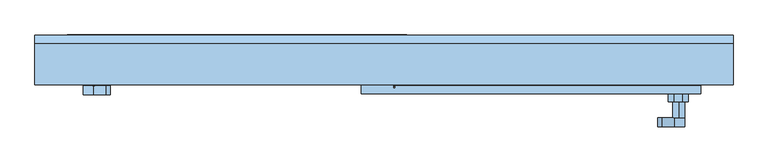
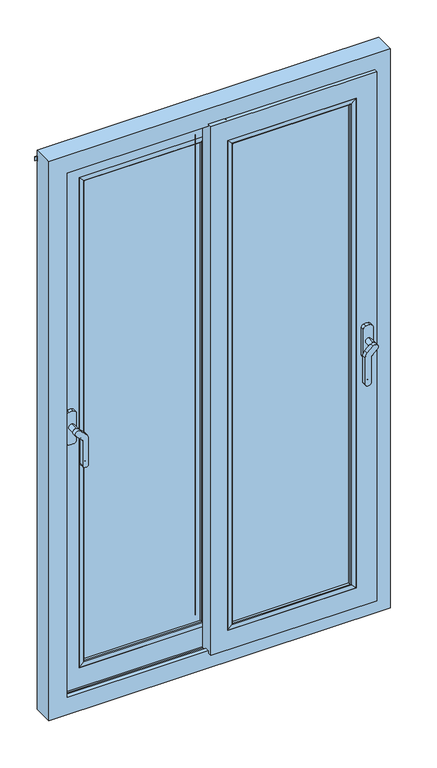
"""IFC4 building model written with IfcOpenShell, lengths in millimetres: window geometry."""

from ifc_helpers import new_model, si_unit, point, frame, frame_2d, origin, place, context, project, spatial, polyline, circle_curve, ellipse_curve, trimmed, segment, composite_curve, outline, extrude, faceted_brep, source, transform, mapped, element, save
from ifc_brep_helpers import plane_surface, cylinder_surface, advanced_brep


def window_e040727d(model_context):
    return source(origin(), model_context, "Body", "SolidModel", [
        extrude(outline(composite_curve([segment(trimmed(circle_curve(frame_2d((1720.5590638, -483.1689366)), 8.1203216), [point((1720.5590638, -491.2892583))], [point((1712.4387422, -483.1689366))], False, "CARTESIAN"), True, "CONTINUOUS"), segment(polyline([(1712.4387422, -483.1689366), (1712.4387422, -478.7980888)]), True, "CONTINUOUS"), segment(trimmed(circle_curve(frame_2d((1720.5590638, -478.7980888)), 8.1203216), [point((1712.4387422, -478.7980888))], [point((1720.5590638, -470.6777671))], False, "CARTESIAN"), True, "CONTINUOUS"), segment(polyline([(1720.5590638, -470.6777671), (1816.0601001, -470.6777671)]), True, "CONTINUOUS"), segment(trimmed(circle_curve(frame_2d((1816.0601001, -494.6777671)), 24.0), [point((1816.0601001, -470.6777671))], [point((1833.8176817, -478.5325419))], False, "CARTESIAN"), True, "CONTINUOUS"), segment(polyline([(1833.8176817, -478.5325419), (1852.8118762, -499.4236075)]), True, "CONTINUOUS"), segment(trimmed(circle_curve(frame_2d((1845.186663, -506.3564651)), 10.3057456), [point((1852.8118762, -499.4236075))], [point((1837.5614497, -513.2893228))], False, "CARTESIAN"), True, "CONTINUOUS"), segment(polyline([(1837.5614497, -513.2893228), (1821.1297391, -495.2166457)]), True, "CONTINUOUS"), segment(trimmed(circle_curve(frame_2d((1812.2509483, -503.2892583)), 12.0), [point((1821.1297391, -495.2166457))], [point((1812.2509483, -491.2892583))], True, "CARTESIAN"), True, "CONTINUOUS"), segment(polyline([(1812.2509483, -491.2892583), (1720.5590638, -491.2892583)]), True, "CONTINUOUS")], self_intersect=False)), frame((0.0, -191.7498063, 0.0), z_axis=(0.0, 1.0, 0.0), x_axis=(0.0, 0.0, 1.0)), (0.0, 0.0, 1.0), 15.0),
        extrude(outline(composite_curve([segment(trimmed(circle_curve(frame_2d((1845.186663, -505.3441861)), 10.3057456), [point((1855.4924085, -505.3441861))], [point((1834.8809174, -505.3441861))], False, "CARTESIAN"), True, "CONTINUOUS"), segment(trimmed(circle_curve(frame_2d((1845.186663, -505.3441861)), 10.3057456), [point((1834.8809174, -505.3441861))], [point((1855.4924085, -505.3441861))], False, "CARTESIAN"), True, "CONTINUOUS")], self_intersect=False)), frame((0.0, -176.7498063, 0.0), z_axis=(0.0, 1.0, 0.0), x_axis=(0.0, 0.0, 1.0)), (0.0, 0.0, 1.0), 27.75),
        extrude(outline(composite_curve([segment(polyline([(1890.7749123, -522.8503256), (1791.0357249, -522.8503256)]), True, "CONTINUOUS"), segment(trimmed(circle_curve(frame_2d((1791.0357249, -511.6848834)), 11.1654422), [point((1791.0357249, -522.8503256))], [point((1779.9543445, -513.0524027))], False, "CARTESIAN"), True, "CONTINUOUS"), segment(trimmed(circle_curve(frame_2d((1838.3181202, -505.8499075)), 58.8065154), [point((1779.9543445, -513.0524027))], [point((1779.9542171, -498.6484446))], False, "CARTESIAN"), True, "CONTINUOUS"), segment(trimmed(circle_curve(frame_2d((1791.0356217, -500.0157679)), 11.1654422), [point((1779.9542171, -498.6484446))], [point((1791.0356217, -488.8503256))], False, "CARTESIAN"), True, "CONTINUOUS"), segment(polyline([(1791.0356217, -488.8503256), (1890.7748036, -488.8503256)]), True, "CONTINUOUS"), segment(trimmed(circle_curve(frame_2d((1890.7748036, -500.0157679)), 11.1654422), [point((1890.7748036, -488.8503256))], [point((1901.8561833, -498.6482428))], False, "CARTESIAN"), True, "CONTINUOUS"), segment(trimmed(circle_curve(frame_2d((1843.4924309, -505.8507662)), 58.8064957), [point((1901.8561833, -498.6482428))], [point((1901.8563175, -513.052202))], False, "CARTESIAN"), True, "CONTINUOUS"), segment(trimmed(circle_curve(frame_2d((1890.7749123, -511.6848834)), 11.1654422), [point((1901.8563175, -513.052202))], [point((1890.7749123, -522.8503256))], False, "CARTESIAN"), True, "CONTINUOUS")], self_intersect=False)), frame((0.0, -148.9998063, 0.0), z_axis=(0.0, 1.0, 0.0), x_axis=(0.0, 0.0, 1.0)), (0.0, 0.0, 1.0), 13.5),
        extrude(outline(composite_curve([segment(polyline([(1725.2837421, -474.9036109), (1736.903582, -474.9036109), (1736.903582, -486.9960678), (1724.9206616, -486.9960678), (1724.9206616, -480.5040328), (1730.071547, -480.5040328), (1725.0457321, -475.4782179)]), True, "CONTINUOUS"), segment(trimmed(circle_curve(frame_2d((1725.2837421, -475.2402079)), 0.336597), [point((1725.0457321, -475.4782179))], [point((1725.2837421, -474.9036109))], False, "CARTESIAN"), True, "CONTINUOUS")], self_intersect=False)), frame((0.0, -192.0498063, 0.0), z_axis=(0.0, 1.0, 0.0), x_axis=(0.0, 0.0, 1.0)), (0.0, 0.0, 1.0), 0.8),
        extrude(outline(composite_curve([segment(trimmed(circle_curve(frame_2d((1845.186663, 506.3564651)), 10.3057456), [point((1855.4924085, 506.3564651))], [point((1834.8809174, 506.3564651))], False, "CARTESIAN"), True, "CONTINUOUS"), segment(trimmed(circle_curve(frame_2d((1845.186663, 506.3564651)), 10.3057456), [point((1834.8809174, 506.3564651))], [point((1855.4924085, 506.3564651))], False, "CARTESIAN"), True, "CONTINUOUS")], self_intersect=False)), frame((0.0, -231.7498063, 0.0), z_axis=(0.0, 1.0, 0.0), x_axis=(0.0, 0.0, 1.0)), (0.0, 0.0, 1.0), 27.75),
        extrude(outline(composite_curve([segment(polyline([(1720.5590638, 491.2892583), (1812.2509483, 491.2892583)]), True, "CONTINUOUS"), segment(trimmed(circle_curve(frame_2d((1812.2509483, 503.2892583)), 12.0), [point((1812.2509483, 491.2892583))], [point((1821.1297391, 495.2166457))], True, "CARTESIAN"), True, "CONTINUOUS"), segment(polyline([(1821.1297391, 495.2166457), (1837.5614497, 513.2893228)]), True, "CONTINUOUS"), segment(trimmed(circle_curve(frame_2d((1845.186663, 506.3564651)), 10.3057456), [point((1837.5614497, 513.2893228))], [point((1852.8118762, 499.4236075))], False, "CARTESIAN"), True, "CONTINUOUS"), segment(polyline([(1852.8118762, 499.4236075), (1833.8176817, 478.5325419)]), True, "CONTINUOUS"), segment(trimmed(circle_curve(frame_2d((1816.0601001, 494.6777671)), 24.0), [point((1833.8176817, 478.5325419))], [point((1816.0601001, 470.6777671))], False, "CARTESIAN"), True, "CONTINUOUS"), segment(polyline([(1816.0601001, 470.6777671), (1720.5590638, 470.6777671)]), True, "CONTINUOUS"), segment(trimmed(circle_curve(frame_2d((1720.5590638, 478.7980888)), 8.1203216), [point((1720.5590638, 470.6777671))], [point((1712.4387422, 478.7980888))], False, "CARTESIAN"), True, "CONTINUOUS"), segment(polyline([(1712.4387422, 478.7980888), (1712.4387422, 483.1689366)]), True, "CONTINUOUS"), segment(trimmed(circle_curve(frame_2d((1720.5590638, 483.1689366)), 8.1203216), [point((1712.4387422, 483.1689366))], [point((1720.5590638, 491.2892583))], False, "CARTESIAN"), True, "CONTINUOUS")], self_intersect=False)), frame((0.0, -246.7498063, 0.0), z_axis=(0.0, 1.0, 0.0), x_axis=(0.0, 0.0, 1.0)), (0.0, 0.0, 1.0), 15.0),
        extrude(outline(composite_curve([segment(polyline([(1890.7749123, 488.8503256), (1791.0357249, 488.8503256)]), True, "CONTINUOUS"), segment(trimmed(circle_curve(frame_2d((1791.0357249, 500.0157679)), 11.1654422), [point((1791.0357249, 488.8503256))], [point((1779.9543445, 498.6482486))], False, "CARTESIAN"), True, "CONTINUOUS"), segment(trimmed(circle_curve(frame_2d((1838.3181202, 505.8507438)), 58.8065154), [point((1779.9543445, 498.6482486))], [point((1779.9542171, 513.0522067))], False, "CARTESIAN"), True, "CONTINUOUS"), segment(trimmed(circle_curve(frame_2d((1791.0356217, 511.6848834)), 11.1654422), [point((1779.9542171, 513.0522067))], [point((1791.0356217, 522.8503256))], False, "CARTESIAN"), True, "CONTINUOUS"), segment(polyline([(1791.0356217, 522.8503256), (1890.7748036, 522.8503256)]), True, "CONTINUOUS"), segment(trimmed(circle_curve(frame_2d((1890.7748036, 511.6848834)), 11.1654422), [point((1890.7748036, 522.8503256))], [point((1901.8561833, 513.0524085))], False, "CARTESIAN"), True, "CONTINUOUS"), segment(trimmed(circle_curve(frame_2d((1843.4924309, 505.8498851)), 58.8064957), [point((1901.8561833, 513.0524085))], [point((1901.8563175, 498.6484493))], False, "CARTESIAN"), True, "CONTINUOUS"), segment(trimmed(circle_curve(frame_2d((1890.7749123, 500.0157679)), 11.1654422), [point((1901.8563175, 498.6484493))], [point((1890.7749123, 488.8503256))], False, "CARTESIAN"), True, "CONTINUOUS")], self_intersect=False)), frame((0.0, -203.9998063, 0.0), z_axis=(0.0, 1.0, 0.0), x_axis=(0.0, 0.0, 1.0)), (0.0, 0.0, 1.0), 13.5),
        extrude(outline(composite_curve([segment(polyline([(1725.2837421, 486.9960678), (1736.903582, 486.9960678), (1736.903582, 474.9036109), (1724.9206616, 474.9036109), (1724.9206616, 481.3956459), (1730.071547, 481.3956459), (1725.0457321, 486.4214608)]), True, "CONTINUOUS"), segment(trimmed(circle_curve(frame_2d((1725.2837421, 486.6594708)), 0.336597), [point((1725.0457321, 486.4214608))], [point((1725.2837421, 486.9960678))], False, "CARTESIAN"), True, "CONTINUOUS")], self_intersect=False)), frame((0.0, -247.0498063, 0.0), z_axis=(0.0, 1.0, 0.0), x_axis=(0.0, 0.0, 1.0)), (0.0, 0.0, 1.0), 0.8),
        advanced_brep(
        [(19.1010245, -158.0001937, 856.0000985), (19.1010245, -158.0001937, 890.7523289), (19.1010245, -177.0001937, 890.7523289), (19.1010245, -177.0001937, 856.0000985), (19.1010245, -181.4978698, 856.0000985), (19.1010245, -181.4978698, 926.0000985), (19.1010245, -151.4998063, 926.0000985), (19.1010245, -151.4978698, 856.0000985), (19.1010245, -158.0001937, 2823.9999015), (19.1010245, -158.0001937, 2789.2476711), (509.2476711, -158.0001937, 2789.2476711), (509.2476711, -158.0001937, 890.7523289), (543.9999015, -158.0001937, 856.0000985), (543.9999015, -158.0001937, 2823.9999015), (509.2476711, -177.0001937, 890.7523289), (19.1010245, -177.0001937, 2789.2476711), (19.1010245, -177.0001937, 2823.9999015), (543.9999015, -177.0001937, 2823.9999015), (543.9999015, -177.0001937, 856.0000985), (509.2476711, -177.0001937, 2789.2476711), (543.9999015, -190.4998063, 856.0000985), (-39.1010245, -190.4998063, 856.0000985), (-39.1010245, -141.0990318, 856.0000985), (-11.6381787, -141.0990318, 856.0000985), (-8.61807, -137.4998063, 856.0000985), (-2.1146471, -137.4998063, 856.0000985), (-2.1146471, -144.4998063, 856.0000985), (543.9999015, -144.4998063, 856.0000985), (16.1010245, -151.4978698, 856.0000985), (16.1010245, -181.4978698, 856.0000985), (19.1010245, -181.4998063, 2753.9999015), (473.9999015, -181.4998063, 2753.9999015), (473.9999015, -181.4998063, 926.0000985), (16.1010245, -181.4998063, 2823.9999015), (19.1010245, -181.4998063, 2823.9999015), (470.9999015, -181.4998063, 2750.9999015), (19.1010245, -181.4998063, 2750.9999015), (19.1010245, -181.4998063, 929.0000985), (470.9999015, -181.4998063, 929.0000985), (473.9999015, -151.4998063, 926.0000985), (19.1010245, -151.4998063, 2753.9999015), (19.1010245, -151.4998063, 2823.9999015), (16.1010245, -151.4998063, 2823.9999015), (473.9999015, -151.4998063, 2753.9999015), (450.9999015, -151.4998063, 2730.9999015), (450.9999015, -151.4998063, 949.0000985), (39.101481, -151.4998063, 949.0000985), (39.101481, -151.4998063, 2730.9999015), (452.1052009, -146.8114198, 2732.1052009), (452.1052009, -146.8114198, 947.8947991), (37.9961816, -146.8114198, 947.8947991), (37.9961816, -146.8114198, 2732.1052009), (19.1010245, -190.4998063, 2750.9999015), (19.1010245, -190.4998063, 929.0000985), (470.9999015, -190.4998063, 929.0000985), (470.9999015, -190.4998063, 2750.9999015), (-39.1010245, -190.4998063, 2823.9999015), (543.9999015, -190.4998063, 2823.9999015), (-39.1010245, -141.0990318, 2823.9999015), (543.9999015, -144.4998063, 2823.9999015), (-2.1146471, -144.4998063, 2823.9999015), (455.0251536, -144.4998063, 2735.0251536), (35.0762288, -144.4998063, 2735.0251536), (35.0762288, -144.4998063, 944.9748464), (455.0251536, -144.4998063, 944.9748464), (-2.1146471, -137.4998063, 2823.9999015), (-11.6381787, -141.0990318, 2823.9999015), (-8.61807, -137.4998063, 2823.9999015)],
        [
            (0, 1),
            (1, 2),
            (2, 3),
            (3, 4),
            (4, 5),
            (5, 6),
            (6, 7),
            (7, 0),
            (8, 9),
            (9, 10),
            (10, 11),
            (11, 1),
            (0, 12),
            (12, 13),
            (13, 8),
            (11, 14),
            (14, 2),
            (15, 16),
            (16, 17),
            (17, 18),
            (18, 3),
            (14, 19),
            (19, 15),
            (20, 21),
            (21, 22),
            (22, 23),
            (23, 24),
            (24, 25),
            (25, 26),
            (26, 27),
            (27, 12),
            (7, 28),
            (28, 29),
            (29, 4),
            (18, 20),
            (30, 31),
            (31, 32),
            (32, 5),
            (29, 33),
            (33, 34),
            (34, 30),
            (35, 36),
            (36, 37),
            (37, 38),
            (38, 35),
            (39, 6),
            (32, 39),
            (40, 41),
            (41, 42),
            (42, 28),
            (39, 43),
            (43, 40),
            (44, 45),
            (45, 46),
            (46, 47),
            (47, 44),
            (44, 48),
            (48, 49),
            (49, 45),
            (49, 50),
            (50, 46),
            (50, 51),
            (51, 47),
            (42, 33),
            (31, 43),
            (52, 53),
            (53, 37),
            (36, 52),
            (53, 54),
            (54, 38),
            (54, 55),
            (55, 35),
            (56, 21),
            (20, 57),
            (57, 56),
            (52, 55),
            (56, 58),
            (58, 22),
            (17, 57),
            (10, 19),
            (27, 59),
            (59, 13),
            (60, 59),
            (26, 60),
            (61, 62),
            (62, 63),
            (63, 64),
            (64, 61),
            (65, 60),
            (25, 65),
            (50, 63, ellipse_curve(frame((35.0762288, -147.4998063, 944.9748464), z_axis=(-0.7071067811865475, 0.0, 0.7071067811865475), x_axis=(0.7071067811865474, 0.0, 0.7071067811865476)), 4.2426407, 3.0)),
            (62, 51, ellipse_curve(frame((35.0762288, -147.4998063, 2735.0251536), z_axis=(-0.7071067811865475, 0.0, -0.7071067811865475), x_axis=(-0.7071067811865474, 0.0, 0.7071067811865476)), 4.2426407, 3.0)),
            (49, 64, ellipse_curve(frame((455.0251536, -147.4998063, 944.9748464), z_axis=(-0.7071067811865475, 0.0, -0.7071067811865475), x_axis=(0.7071067811865476, 0.0, -0.7071067811865474)), 4.2426407, 3.0)),
            (48, 61, ellipse_curve(frame((455.0251536, -147.4998063, 2735.0251536), z_axis=(0.7071067811865475, 0.0, -0.7071067811865475), x_axis=(0.7071067811865474, 0.0, 0.7071067811865476)), 4.2426407, 3.0)),
            (58, 66),
            (66, 23),
            (66, 67),
            (67, 24),
            (67, 65),
            (40, 30),
            (34, 16),
            (15, 9),
            (8, 41),
            (51, 48),
        ],
        [
            plane_surface(frame((19.1010245, -105.0, 800.0), z_axis=(-1.0, 0.0, 0.0), x_axis=(0.0, 1.0, 0.0))),
            plane_surface(frame((19.1010245, -158.0001937, 2789.2476711), z_axis=(0.0, -1.0, 0.0), x_axis=(1.0, 0.0, 0.0))),
            plane_surface(frame((509.2476711, -177.0001937, 890.7523289), z_axis=(0.0, 0.0, -1.0), x_axis=(-1.0, 0.0, 0.0))),
            plane_surface(frame((19.1010245, -177.0001937, 2823.9999015), z_axis=(0.0, 1.0, 0.0), x_axis=(1.0, 0.0, 0.0))),
            plane_surface(frame((543.9999015, -190.4998063, 856.0000985), z_axis=(0.0, 0.0, -1.0), x_axis=(-1.0, 0.0, 0.0))),
            plane_surface(frame((19.1010245, -181.4998063, 2753.9999015), z_axis=(0.0, 1.0, 0.0), x_axis=(1.0, 0.0, 0.0))),
            plane_surface(frame((473.9999015, -151.4998063, 926.0000985), z_axis=(0.0, 0.0, 1.0), x_axis=(-1.0, 0.0, 0.0))),
            plane_surface(frame((19.1010245, -151.4998063, 2730.9999015), z_axis=(0.0, -1.0, 0.0), x_axis=(1.0, 0.0, 0.0))),
            plane_surface(frame((452.1052009, -146.8114198, 2732.1052009), z_axis=(-0.9733175797962543, 0.2294621730472412, 0.0), x_axis=(0.0, 0.0, -1.0))),
            plane_surface(frame((452.1052009, -146.8114198, 947.8947991), z_axis=(0.0, 0.22946217304723807, 0.9733175797962551), x_axis=(-1.0, 0.0, 0.0))),
            plane_surface(frame((39.1010245, -151.4978698, 2823.9999015), z_axis=(0.9733175797962278, 0.22946217304735375, 0.0), x_axis=(0.0, 0.0, -1.0))),
            plane_surface(frame((16.1010245, -181.4978698, 2823.9999015), z_axis=(1.0, 0.0, 0.0), x_axis=(0.0, 0.0, -1.0))),
            plane_surface(frame((473.9999015, -151.4998063, 2753.9999015), z_axis=(-1.0, 0.0, 0.0), x_axis=(0.0, 0.0, -1.0))),
            plane_surface(frame((19.1010245, -190.4998063, 2823.9999015), z_axis=(1.0, 0.0, 0.0), x_axis=(0.0, 0.0, -1.0))),
            plane_surface(frame((470.9999015, -181.4998063, 929.0000985), z_axis=(0.0, 0.0, 1.0), x_axis=(-1.0, 0.0, 0.0))),
            plane_surface(frame((470.9999015, -181.4998063, 2750.9999015), z_axis=(-1.0, 0.0, 0.0), x_axis=(0.0, 0.0, -1.0))),
            plane_surface(frame((19.1010245, -190.4998063, 2750.9999015), z_axis=(0.0, -1.0, 0.0), x_axis=(1.0, 0.0, 0.0))),
            plane_surface(frame((-39.1010245, -141.0990318, 2823.9999015), z_axis=(-1.0, 0.0, 0.0), x_axis=(0.0, 0.0, -1.0))),
            plane_surface(frame((543.9999015, -190.4998063, 2823.9999015), z_axis=(1.0, 0.0, 0.0), x_axis=(0.0, 0.0, -1.0))),
            plane_surface(frame((509.2476711, -177.0001937, 2789.2476711), z_axis=(1.0, 0.0, 0.0), x_axis=(0.0, 0.0, -1.0))),
            plane_surface(frame((543.9999015, -158.0001937, 2823.9999015), z_axis=(1.0, 0.0, 0.0), x_axis=(0.0, 0.0, -1.0))),
            plane_surface(frame((19.1010245, -144.4998063, 2823.9999015), z_axis=(0.0, 1.0, 0.0), x_axis=(1.0, 0.0, 0.0))),
            plane_surface(frame((-2.1146471, -144.4998063, 2823.9999015), z_axis=(1.0, 0.0, 0.0), x_axis=(0.0, 0.0, -1.0))),
            cylinder_surface(frame((35.0762288, -147.4998063, 2823.9999015), z_axis=(0.0, 0.0, 1.0), x_axis=(0.0, 1.0, 0.0)), 3.0),
            cylinder_surface(frame((600.0, -147.4998063, 944.9748464), z_axis=(1.0, 0.0, 0.0), x_axis=(0.0, 1.0, 0.0)), 3.0),
            cylinder_surface(frame((455.0251536, -147.4998063, 2880.0), z_axis=(0.0, 0.0, 1.0), x_axis=(0.0, 1.0, 0.0)), 3.0),
            plane_surface(frame((-11.6381787, -141.0990318, 2823.9999015), z_axis=(0.0, 1.0, 0.0), x_axis=(0.0, 0.0, -1.0))),
            plane_surface(frame((-8.61807, -137.4998063, 2823.9999015), z_axis=(-0.7660444431189933, 0.6427876096865212, 0.0), x_axis=(0.0, 0.0, -1.0))),
            plane_surface(frame((-2.1146471, -137.4998063, 2823.9999015), z_axis=(0.0, 1.0, 0.0), x_axis=(0.0, 0.0, -1.0))),
            plane_surface(frame((19.1010245, -105.0, 2880.0), z_axis=(-1.0, 0.0, 0.0), x_axis=(0.0, 1.0, 0.0))),
            plane_surface(frame((19.1010245, -151.4998063, 2753.9999015), z_axis=(0.0, 0.0, -1.0), x_axis=(1.0, 0.0, 0.0))),
            plane_surface(frame((19.1010245, -181.4998063, 2750.9999015), z_axis=(0.0, 0.0, -1.0), x_axis=(1.0, 0.0, 0.0))),
            plane_surface(frame((19.1010245, -190.4998063, 2823.9999015), z_axis=(0.0, 0.0, 1.0), x_axis=(1.0, 0.0, 0.0))),
            plane_surface(frame((19.1010245, -177.0001937, 2789.2476711), z_axis=(0.0, 0.0, 1.0), x_axis=(1.0, 0.0, 0.0))),
            plane_surface(frame((19.1010245, -146.8114198, 2732.1052009), z_axis=(0.0, 0.22946217304723807, -0.9733175797962551), x_axis=(1.0, 0.0, 0.0))),
            cylinder_surface(frame((19.1010245, -147.4998063, 2735.0251536), z_axis=(-1.0, 0.0, 0.0), x_axis=(0.0, 1.0, 0.0)), 3.0),
        ],
        [
            (0, [[1, 2, 3, 4, 5, 6, 7, 8]]),
            (1, [[9, 10, 11, 12, -1, 13, 14, 15]]),
            (2, [[-2, -12, 16, 17]]),
            (3, [[18, 19, 20, 21, -3, -17, 22, 23]]),
            (4, [[24, 25, 26, 27, 28, 29, 30, 31, -13, -8, 32, 33, 34, -4, -21, 35]]),
            (5, [[36, 37, 38, -5, -34, 39, 40, 41], [42, 43, 44, 45]]),
            (6, [[46, -6, -38, 47]]),
            (7, [[48, 49, 50, -32, -7, -46, 51, 52], [53, 54, 55, 56]]),
            (8, [[-53, 57, 58, 59]]),
            (9, [[-59, 60, 61, -54]]),
            (10, [[-55, -61, 62, 63]]),
            (11, [[64, -39, -33, -50]]),
            (12, [[-51, -47, -37, 65]]),
            (13, [[66, 67, -43, 68]]),
            (14, [[-44, -67, 69, 70]]),
            (15, [[-45, -70, 71, 72]]),
            (16, [[73, -24, 74, 75], [76, -71, -69, -66]]),
            (17, [[77, 78, -25, -73]]),
            (18, [[-74, -35, -20, 79]]),
            (19, [[-22, -16, -11, 80]]),
            (20, [[-14, -31, 81, 82]]),
            (21, [[83, -81, -30, 84], [85, 86, 87, 88]]),
            (22, [[89, -84, -29, 90]]),
            (23, [[-62, 91, -86, 92]]),
            (24, [[93, -87, -91, -60]]),
            (25, [[-88, -93, -58, 94]]),
            (26, [[95, 96, -26, -78]]),
            (27, [[97, 98, -27, -96]]),
            (28, [[99, -90, -28, -98]]),
            (29, [[100, -41, 101, -18, 102, -9, 103, -48]]),
            (30, [[-100, -52, -65, -36]]),
            (31, [[-42, -72, -76, -68]]),
            (32, [[-75, -79, -19, -101, -40, -64, -49, -103, -15, -82, -83, -89, -99, -97, -95, -77]]),
            (33, [[-102, -23, -80, -10]]),
            (34, [[-57, -56, -63, 104]]),
            (35, [[-94, -104, -92, -85]]),
        ],
    ),
        advanced_brep(
        [(-19.1010245, -96.4998063, 926.0000985), (-19.1010245, -126.4998063, 926.0000985), (-19.1010245, -126.4998063, 856.0000985), (-19.1010245, -122.0001937, 856.0000985), (-19.1010245, -122.0001937, 890.7523289), (-19.1010245, -103.0001937, 890.7523289), (-19.1010245, -103.0001937, 856.0000985), (-19.1010245, -96.4998063, 856.0000985), (-473.9999015, -96.4998063, 926.0000985), (-473.9999015, -126.4998063, 926.0000985), (-473.9999015, -126.4998063, 2753.9999015), (-19.1010245, -126.4998063, 2753.9999015), (-19.1010245, -126.4998063, 2823.9999015), (-16.1010245, -126.4998063, 2823.9999015), (-16.1010245, -126.4998063, 856.0000985), (-470.9999015, -126.4998063, 929.0000985), (-19.1010245, -126.4998063, 929.0000985), (-19.1010245, -126.4998063, 2750.9999015), (-470.9999015, -126.4998063, 2750.9999015), (2.1146471, -135.4998063, 856.0000985), (-543.9999015, -135.4998063, 856.0000985), (-543.9999015, -122.0001937, 856.0000985), (-16.1010245, -96.4998063, 856.0000985), (-543.9999015, -103.0001937, 856.0000985), (-543.9999015, -89.4998063, 856.0000985), (39.1010245, -89.4998063, 856.0000985), (39.1010245, -138.9005809, 856.0000985), (11.6381787, -138.9005809, 856.0000985), (8.61807, -142.4998063, 856.0000985), (2.1146471, -142.4998063, 856.0000985), (-543.9999015, -122.0001937, 2823.9999015), (-19.1010245, -122.0001937, 2823.9999015), (-19.1010245, -122.0001937, 2789.2476711), (-509.2476711, -122.0001937, 2789.2476711), (-509.2476711, -122.0001937, 890.7523289), (-509.2476711, -103.0001937, 890.7523289), (-509.2476711, -103.0001937, 2789.2476711), (-19.1010245, -103.0001937, 2789.2476711), (-19.1010245, -103.0001937, 2823.9999015), (-543.9999015, -103.0001937, 2823.9999015), (-16.1010245, -96.4998063, 2823.9999015), (-19.1010245, -96.4998063, 2823.9999015), (-19.1010245, -96.4998063, 2753.9999015), (-473.9999015, -96.4998063, 2753.9999015), (-450.9999015, -96.4998063, 949.0000985), (-450.9999015, -96.4998063, 2730.9999015), (-39.1010245, -96.4998063, 2730.9999015), (-39.1010245, -96.4998063, 949.0000985), (-452.1040493, -91.8163045, 947.8959507), (-452.1040493, -91.8163045, 2732.1040493), (-37.9968766, -91.8163045, 2732.1040493), (-37.9968766, -91.8163045, 947.8959507), (-470.9999015, -135.4998063, 929.0000985), (-19.1010245, -135.4998063, 929.0000985), (-19.1010245, -135.4998063, 2750.9999015), (-470.9999015, -135.4998063, 2750.9999015), (2.1146471, -135.4998063, 2823.9999015), (-543.9999015, -135.4998063, 2823.9999015), (2.1146471, -142.4998063, 2823.9999015), (-543.9999015, -89.4998063, 2823.9999015), (39.1010245, -89.4998063, 2823.9999015), (-455.0301722, -89.4998063, 944.9698278), (-35.0707537, -89.4998063, 944.9698278), (-35.0707537, -89.4998063, 2735.0301722), (-455.0301722, -89.4998063, 2735.0301722), (39.1010245, -138.9005809, 2823.9999015), (11.6381787, -138.9005809, 2823.9999015), (8.61807, -142.4998063, 2823.9999015)],
        [
            (0, 1),
            (1, 2),
            (2, 3),
            (3, 4),
            (4, 5),
            (5, 6),
            (6, 7),
            (7, 0),
            (0, 8),
            (8, 9),
            (9, 1),
            (9, 10),
            (10, 11),
            (11, 12),
            (12, 13),
            (13, 14),
            (14, 2),
            (15, 16),
            (16, 17),
            (17, 18),
            (18, 15),
            (19, 20),
            (20, 21),
            (21, 3),
            (14, 22),
            (22, 7),
            (6, 23),
            (23, 24),
            (24, 25),
            (25, 26),
            (26, 27),
            (27, 28),
            (28, 29),
            (29, 19),
            (21, 30),
            (30, 31),
            (31, 32),
            (32, 33),
            (33, 34),
            (34, 4),
            (34, 35),
            (35, 5),
            (35, 36),
            (36, 37),
            (37, 38),
            (38, 39),
            (39, 23),
            (22, 40),
            (40, 41),
            (41, 42),
            (42, 43),
            (43, 8),
            (44, 45),
            (45, 46),
            (46, 47),
            (47, 44),
            (44, 48),
            (48, 49),
            (49, 45),
            (46, 50),
            (50, 51),
            (51, 47),
            (51, 48),
            (13, 40),
            (43, 10),
            (15, 52),
            (52, 53),
            (53, 16),
            (53, 54),
            (54, 17),
            (18, 55),
            (55, 52),
            (19, 56),
            (56, 57),
            (57, 20),
            (55, 54),
            (29, 58),
            (58, 56),
            (57, 30),
            (39, 59),
            (59, 24),
            (59, 60),
            (60, 25),
            (61, 62),
            (62, 63),
            (63, 64),
            (64, 61),
            (60, 65),
            (65, 26),
            (65, 66),
            (66, 27),
            (66, 67),
            (67, 28),
            (67, 58),
            (33, 36),
            (61, 48, ellipse_curve(frame((-455.0301722, -92.5061456, 944.9698278), z_axis=(0.7071067811865475, 0.0, -0.7071067811865475), x_axis=(0.7071067811865476, 0.0, 0.7071067811865474)), 4.2516058, 3.0063393)),
            (51, 62, ellipse_curve(frame((-35.0707537, -92.5061456, 944.9698278), z_axis=(-0.7071067811865475, 0.0, -0.7071067811865475), x_axis=(0.7071067811865476, 0.0, -0.7071067811865474)), 4.2516058, 3.0063393)),
            (50, 63, ellipse_curve(frame((-35.0707537, -92.5061456, 2735.0301722), z_axis=(0.7071067811865475, 0.0, -0.7071067811865475), x_axis=(-0.7071067811865474, 0.0, -0.7071067811865476)), 4.2516058, 3.0063393)),
            (64, 49, ellipse_curve(frame((-455.0301722, -92.5061456, 2735.0301722), z_axis=(-0.7071067811865475, 0.0, -0.7071067811865475), x_axis=(0.7071067811865474, 0.0, -0.7071067811865476)), 4.2516058, 3.0063393)),
            (37, 32),
            (31, 12),
            (11, 42),
            (41, 38),
            (49, 50),
        ],
        [
            plane_surface(frame((-19.1010245, -105.0, 800.0), z_axis=(1.0, 0.0, 0.0), x_axis=(0.0, 1.0, 0.0))),
            plane_surface(frame((-19.1010245, -96.4998063, 926.0000985), z_axis=(0.0, 0.0, 1.0), x_axis=(-1.0, 0.0, 0.0))),
            plane_surface(frame((-19.1010245, -126.4998063, 926.0000985), z_axis=(0.0, 1.0, 0.0), x_axis=(-1.0, 0.0, 0.0))),
            plane_surface(frame((-19.1010245, -135.4998063, 856.0000985), z_axis=(0.0, 0.0, -1.0), x_axis=(-1.0, 0.0, 0.0))),
            plane_surface(frame((-19.1010245, -122.0001937, 856.0000985), z_axis=(0.0, 1.0, 0.0), x_axis=(-1.0, 0.0, 0.0))),
            plane_surface(frame((-19.1010245, -122.0001937, 890.7523289), z_axis=(0.0, 0.0, -1.0), x_axis=(-1.0, 0.0, 0.0))),
            plane_surface(frame((-19.1010245, -103.0001937, 890.7523289), z_axis=(0.0, -1.0, 0.0), x_axis=(-1.0, 0.0, 0.0))),
            plane_surface(frame((-19.1010245, -96.4998063, 949.0000985), z_axis=(0.0, -1.0, 0.0), x_axis=(-1.0, 0.0, 0.0))),
            plane_surface(frame((-452.1040493, -91.8163045, 947.8959507), z_axis=(0.9733175797962553, 0.22946217304723712, 0.0), x_axis=(0.0, 0.0, 1.0))),
            plane_surface(frame((-39.1010245, -96.4998063, 856.0000985), z_axis=(-0.9733175797962387, 0.22946217304730768, 0.0), x_axis=(0.0, 0.0, 1.0))),
            plane_surface(frame((-19.1010245, -91.8163045, 947.8959507), z_axis=(0.0, 0.22946217304724026, 0.9733175797962546), x_axis=(-1.0, 0.0, 0.0))),
            plane_surface(frame((-16.1010245, -126.4998063, 856.0000985), z_axis=(-1.0, 0.0, 0.0), x_axis=(0.0, 0.0, 1.0))),
            plane_surface(frame((-473.9999015, -96.4998063, 926.0000985), z_axis=(1.0, 0.0, 0.0), x_axis=(0.0, 0.0, 1.0))),
            plane_surface(frame((-19.1010245, -126.4998063, 929.0000985), z_axis=(0.0, 0.0, 1.0), x_axis=(-1.0, 0.0, 0.0))),
            plane_surface(frame((-19.1010245, -135.4998063, 856.0000985), z_axis=(-1.0, 0.0, 0.0), x_axis=(0.0, 0.0, 1.0))),
            plane_surface(frame((-470.9999015, -126.4998063, 929.0000985), z_axis=(1.0, 0.0, 0.0), x_axis=(0.0, 0.0, 1.0))),
            plane_surface(frame((-19.1010245, -135.4998063, 929.0000985), z_axis=(0.0, -1.0, 0.0), x_axis=(-1.0, 0.0, 0.0))),
            plane_surface(frame((2.1146471, -142.4998063, 856.0000985), z_axis=(-1.0, 0.0, 0.0), x_axis=(0.0, 0.0, 1.0))),
            plane_surface(frame((-543.9999015, -135.4998063, 856.0000985), z_axis=(-1.0, 0.0, 0.0), x_axis=(0.0, 0.0, 1.0))),
            plane_surface(frame((-543.9999015, -103.0001937, 856.0000985), z_axis=(-1.0, 0.0, 0.0), x_axis=(0.0, 0.0, 1.0))),
            plane_surface(frame((-19.1010245, -89.4998063, 856.0000985), z_axis=(0.0, 1.0, 0.0), x_axis=(-1.0, 0.0, 0.0))),
            plane_surface(frame((39.1010245, -89.4998063, 856.0000985), z_axis=(1.0, 0.0, 0.0), x_axis=(0.0, 0.0, 1.0))),
            plane_surface(frame((39.1010245, -138.9005809, 856.0000985), z_axis=(0.0, -1.0, 0.0), x_axis=(0.0, 0.0, 1.0))),
            plane_surface(frame((11.6381787, -138.9005809, 856.0000985), z_axis=(0.766044443118989, -0.6427876096865264, 0.0), x_axis=(0.0, 0.0, 1.0))),
            plane_surface(frame((8.61807, -142.4998063, 856.0000985), z_axis=(0.0, -1.0, 0.0), x_axis=(0.0, 0.0, 1.0))),
            plane_surface(frame((-509.2476711, -122.0001937, 890.7523289), z_axis=(-1.0, 0.0, 0.0), x_axis=(0.0, 0.0, 1.0))),
            cylinder_surface(frame((-19.1010245, -92.5061456, 944.9698278), z_axis=(1.0, 0.0, 0.0), x_axis=(0.0, 0.0, 1.0)), 3.0063393),
            cylinder_surface(frame((-35.0707537, -92.5061456, 856.0000985), z_axis=(0.0, 0.0, -1.0), x_axis=(1.0, 0.0, 0.0)), 3.0063393),
            cylinder_surface(frame((-455.0301722, -92.5061456, 800.0), z_axis=(0.0, 0.0, -1.0), x_axis=(1.0, 0.0, 0.0)), 3.0063393),
            plane_surface(frame((-19.1010245, -105.0, 2880.0), z_axis=(1.0, 0.0, 0.0), x_axis=(0.0, 1.0, 0.0))),
            plane_surface(frame((-473.9999015, -96.4998063, 2753.9999015), z_axis=(0.0, 0.0, -1.0), x_axis=(1.0, 0.0, 0.0))),
            plane_surface(frame((-543.9999015, -135.4998063, 2823.9999015), z_axis=(0.0, 0.0, 1.0), x_axis=(1.0, 0.0, 0.0))),
            plane_surface(frame((-509.2476711, -122.0001937, 2789.2476711), z_axis=(0.0, 0.0, 1.0), x_axis=(1.0, 0.0, 0.0))),
            plane_surface(frame((-452.1040493, -91.8163045, 2732.1040493), z_axis=(0.0, 0.22946217304724026, -0.9733175797962546), x_axis=(1.0, 0.0, 0.0))),
            cylinder_surface(frame((-600.0, -92.5061456, 2735.0301722), z_axis=(-1.0, 0.0, 0.0), x_axis=(0.0, 0.0, -1.0)), 3.0063393),
            plane_surface(frame((-470.9999015, -126.4998063, 2750.9999015), z_axis=(0.0, 0.0, -1.0), x_axis=(1.0, 0.0, 0.0))),
        ],
        [
            (0, [[1, 2, 3, 4, 5, 6, 7, 8]]),
            (1, [[-1, 9, 10, 11]]),
            (2, [[-11, 12, 13, 14, 15, 16, 17, -2], [18, 19, 20, 21]]),
            (3, [[22, 23, 24, -3, -17, 25, 26, -7, 27, 28, 29, 30, 31, 32, 33, 34]]),
            (4, [[-4, -24, 35, 36, 37, 38, 39, 40]]),
            (5, [[-5, -40, 41, 42]]),
            (6, [[-6, -42, 43, 44, 45, 46, 47, -27]]),
            (7, [[-8, -26, 48, 49, 50, 51, 52, -9], [53, 54, 55, 56]]),
            (8, [[-53, 57, 58, 59]]),
            (9, [[-55, 60, 61, 62]]),
            (10, [[-57, -56, -62, 63]]),
            (11, [[-25, -16, 64, -48]]),
            (12, [[-52, 65, -12, -10]]),
            (13, [[-18, 66, 67, 68]]),
            (14, [[69, 70, -19, -68]]),
            (15, [[-21, 71, 72, -66]]),
            (16, [[73, 74, 75, -22], [-67, -72, 76, -69]]),
            (17, [[-34, 77, 78, -73]]),
            (18, [[-75, 79, -35, -23]]),
            (19, [[-47, 80, 81, -28]]),
            (20, [[-29, -81, 82, 83], [84, 85, 86, 87]]),
            (21, [[-30, -83, 88, 89]]),
            (22, [[-31, -89, 90, 91]]),
            (23, [[-32, -91, 92, 93]]),
            (24, [[-33, -93, 94, -77]]),
            (25, [[-39, 95, -43, -41]]),
            (26, [[96, -63, 97, -84]]),
            (27, [[-61, 98, -85, -97]]),
            (28, [[-87, 99, -58, -96]]),
            (29, [[-45, 100, -37, 101, -14, 102, -50, 103]]),
            (30, [[-51, -102, -13, -65]]),
            (31, [[-74, -78, -94, -92, -90, -88, -82, -80, -46, -103, -49, -64, -15, -101, -36, -79]]),
            (32, [[-100, -44, -95, -38]]),
            (33, [[-59, 104, -60, -54]]),
            (34, [[-99, -86, -98, -104]]),
            (35, [[-20, -70, -76, -71]]),
        ],
    ),
        extrude(outline(polyline([(466.9999015, -154.9996236), (466.9999015, -158.9996236), (23.1010245, -158.9996236), (23.1010245, -154.9996236), (466.9999015, -154.9996236)])), frame((0.0, 0.0, 933.0000985), z_axis=(0.0, 0.0, 1.0), x_axis=(1.0, 0.0, 0.0)), (0.0, 0.0, 1.0), 1813.9998029),
        extrude(outline(polyline([(466.9999015, -178.9996236), (23.1010245, -178.9996236), (23.1010245, -172.9996236), (466.9999015, -172.9996236), (466.9999015, -178.9996236)])), frame((0.0, 0.0, 933.0000985), z_axis=(0.0, 0.0, 1.0), x_axis=(1.0, 0.0, 0.0)), (0.0, 0.0, 1.0), 1813.9998029),
        faceted_brep([(466.9999015, -178.9996236, 2746.9999015), (466.9999015, -172.9996236, 2746.9999015), (466.9999015, -172.9996236, 933.0000985), (466.9999015, -178.9996236, 933.0000985), (23.1, -172.9996236, 2746.9999015), (23.1, -172.9996236, 933.0000985), (454.9999015, -172.9996236, 945.0000985), (35.1, -172.9996236, 945.0000985), (35.1, -172.9996236, 2734.9999015), (454.9999015, -172.9996236, 2734.9999015), (23.1, -178.9996236, 933.0000985), (471.9499015, -178.9996236, 2751.9499015), (18.15, -178.9996236, 2751.9499015), (18.15, -178.9996236, 928.0500985), (471.9499015, -178.9996236, 928.0500985), (23.1, -178.9996236, 2746.9999015), (471.9499015, -154.9996236, 2751.9499015), (471.9499015, -154.9996236, 928.0500985), (18.15, -154.9996236, 928.0500985), (18.15, -154.9996236, 2751.9499015), (466.9999015, -154.9996236, 2746.9999015), (23.1, -154.9996236, 2746.9999015), (23.1, -154.9996236, 933.0000985), (466.9999015, -154.9996236, 933.0000985), (454.9999015, -158.9996236, 2734.9999015), (454.9999015, -158.9996236, 945.0000985), (466.9999015, -158.9996236, 933.0000985), (23.1, -158.9996236, 933.0000985), (23.1, -158.9996236, 2746.9999015), (466.9999015, -158.9996236, 2746.9999015), (35.1, -158.9996236, 2734.9999015), (35.1, -158.9996236, 945.0000985)], [[[0, 1, 2, 3]], [[1, 4, 5, 2], [6, 7, 8, 9]], [[3, 2, 5, 10]], [[11, 12, 13, 14], [3, 10, 15, 0]], [[16, 11, 14, 17]], [[17, 14, 13, 18]], [[17, 18, 19, 16], [20, 21, 22, 23]], [[9, 24, 25, 6]], [[26, 27, 28, 29], [24, 30, 31, 25]], [[6, 25, 31, 7]], [[10, 5, 4, 15]], [[18, 13, 12, 19]], [[7, 31, 30, 8]], [[27, 22, 21, 28]], [[26, 23, 22, 27]], [[29, 20, 23, 26]], [[15, 4, 1, 0]], [[19, 12, 11, 16]], [[8, 30, 24, 9]], [[28, 21, 20, 29]]]),
        advanced_brep(
        [(470.998877, -190.5048965, 2750.998877), (455.3339502, -189.9578652, 2735.3339502), (455.3339502, -189.9578652, 944.6660498), (470.998877, -190.5048965, 929.001123), (452.4946815, -187.6454847, 2732.4946815), (452.4946815, -187.6454847, 947.5053185), (34.7659512, -189.9578652, 944.6660498), (19.1010245, -190.5048965, 929.001123), (470.998877, -181.4998063, 2750.998877), (470.998877, -181.4998063, 929.001123), (19.1010245, -181.4998063, 929.001123), (19.1010245, -181.4998063, 2750.998877), (450.998877, -181.4998063, 2730.998877), (39.1010245, -181.4998063, 2730.998877), (39.1010245, -181.4998063, 949.001123), (450.998877, -181.4998063, 949.001123), (37.60522, -187.6454847, 947.5053185), (34.7659512, -189.9578652, 2735.3339502), (19.1010245, -190.5048965, 2750.998877), (37.60522, -187.6454847, 2732.4946815)],
        [
            (0, 1),
            (1, 2),
            (2, 3),
            (3, 0),
            (1, 4, ellipse_curve(frame((455.4397315, -186.9286852, 2735.4397315), z_axis=(0.7071067811865475, 0.0, -0.7071067811865475), x_axis=(0.7071067811865474, 0.0, 0.7071067811865476)), 4.2865187, 3.0310264)),
            (4, 5),
            (5, 2, ellipse_curve(frame((455.4397315, -186.9286852, 944.5602685), z_axis=(0.7071067811865475, 0.0, 0.7071067811865475), x_axis=(-0.7071067811865474, 0.0, 0.7071067811865476)), 4.2865187, 3.0310264)),
            (2, 6),
            (6, 7),
            (7, 3),
            (8, 0),
            (3, 9),
            (9, 8),
            (7, 10),
            (10, 9),
            (10, 11),
            (11, 8),
            (12, 13),
            (13, 14),
            (14, 15),
            (15, 12),
            (4, 12),
            (15, 5),
            (14, 16),
            (16, 5),
            (16, 6, ellipse_curve(frame((34.6601699, -186.9286852, 944.5602685), z_axis=(0.7071067811865475, 0.0, -0.7071067811865475), x_axis=(0.7071067811865476, 0.0, 0.7071067811865474)), 4.2865187, 3.0310264)),
            (6, 17),
            (17, 18),
            (18, 7),
            (18, 11),
            (13, 19),
            (19, 16),
            (19, 17, ellipse_curve(frame((34.6601699, -186.9286852, 2735.4397315), z_axis=(-0.7071067811865475, 0.0, -0.7071067811865475), x_axis=(0.7071067811865474, 0.0, -0.7071067811865476)), 4.2865187, 3.0310264)),
            (17, 1),
            (0, 18),
            (4, 19),
        ],
        [
            plane_surface(frame((455.3339502, -189.9578652, 2735.3339502), z_axis=(-0.034899496702999244, -0.9993908270190783, 0.0), x_axis=(0.0, 0.0, -1.0))),
            cylinder_surface(frame((455.4397315, -186.9286852, 2880.0), z_axis=(0.0, 0.0, 1.0), x_axis=(-1.0, 0.0, 0.0)), 3.0310264),
            plane_surface(frame((455.3339502, -189.9578652, 944.6660498), z_axis=(0.0, -0.9993908270190784, 0.03489949670299603), x_axis=(-1.0, 0.0, 0.0))),
            plane_surface(frame((470.998877, -190.5048965, 2750.998877), z_axis=(1.0, 0.0, 0.0), x_axis=(0.0, 0.0, -1.0))),
            plane_surface(frame((470.998877, -190.5048965, 929.001123), z_axis=(0.0, 0.0, -1.0), x_axis=(-1.0, 0.0, 0.0))),
            plane_surface(frame((19.1010245, -181.4998063, 2750.998877), z_axis=(0.0, 1.0, 0.0), x_axis=(1.0, 0.0, 0.0))),
            plane_surface(frame((450.998877, -181.4998063, 2730.998877), z_axis=(-0.9716345613962811, -0.23648737619639762, 0.0), x_axis=(0.0, 0.0, -1.0))),
            plane_surface(frame((450.998877, -181.4998063, 949.001123), z_axis=(0.0, -0.23648737619640076, 0.9716345613962803), x_axis=(-1.0, 0.0, 0.0))),
            cylinder_surface(frame((600.0, -186.9286852, 944.5602685), z_axis=(1.0, 0.0, 0.0), x_axis=(0.0, 0.0, 1.0)), 3.0310264),
            plane_surface(frame((34.7659512, -189.9578652, 944.6660498), z_axis=(0.03489949670299282, -0.9993908270190786, 0.0), x_axis=(0.0, 0.0, 1.0))),
            plane_surface(frame((19.1010245, -190.5048965, 929.001123), z_axis=(-1.0, 0.0, 0.0), x_axis=(0.0, 0.0, 1.0))),
            plane_surface(frame((39.1010245, -181.4998063, 949.001123), z_axis=(0.9716345613962796, -0.2364873761964039, 0.0), x_axis=(0.0, 0.0, 1.0))),
            cylinder_surface(frame((34.6601699, -186.9286852, 800.0), z_axis=(0.0, 0.0, -1.0), x_axis=(1.0, 0.0, 0.0)), 3.0310264),
            plane_surface(frame((34.7659512, -189.9578652, 2735.3339502), z_axis=(0.0, -0.9993908270190784, -0.03489949670299603), x_axis=(1.0, 0.0, 0.0))),
            plane_surface(frame((19.1010245, -190.5048965, 2750.998877), z_axis=(0.0, 0.0, 1.0), x_axis=(1.0, 0.0, 0.0))),
            plane_surface(frame((39.1010245, -181.4998063, 2730.998877), z_axis=(0.0, -0.23648737619640076, -0.9716345613962803), x_axis=(1.0, 0.0, 0.0))),
            cylinder_surface(frame((-109.9000985, -186.9286852, 2735.4397315), z_axis=(-1.0, 0.0, 0.0), x_axis=(0.0, 0.0, -1.0)), 3.0310264),
        ],
        [
            (0, [[1, 2, 3, 4]]),
            (1, [[5, 6, 7, -2]]),
            (2, [[-3, 8, 9, 10]]),
            (3, [[11, -4, 12, 13]]),
            (4, [[-12, -10, 14, 15]]),
            (5, [[-15, 16, 17, -13], [18, 19, 20, 21]]),
            (6, [[22, -21, 23, -6]]),
            (7, [[-23, -20, 24, 25]]),
            (8, [[-7, -25, 26, -8]]),
            (9, [[-9, 27, 28, 29]]),
            (10, [[-14, -29, 30, -16]]),
            (11, [[-24, -19, 31, 32]]),
            (12, [[-26, -32, 33, -27]]),
            (13, [[-28, 34, -1, 35]]),
            (14, [[-30, -35, -11, -17]]),
            (15, [[-31, -18, -22, 36]]),
            (16, [[-33, -36, -5, -34]]),
        ],
    ),
        faceted_brep([(-23.1, -123.9996236, 2746.9999015), (-23.1, -117.9996236, 2746.9999015), (-23.1, -117.9996236, 933.0000985), (-23.1, -123.9996236, 933.0000985), (-466.9999015, -117.9996236, 2746.9999015), (-466.9999015, -117.9996236, 933.0000985), (-35.1, -117.9996236, 945.0000985), (-454.9999015, -117.9996236, 945.0000985), (-454.9999015, -117.9996236, 2734.9999015), (-35.1, -117.9996236, 2734.9999015), (-466.9999015, -123.9996236, 933.0000985), (-18.15, -123.9996236, 2751.9499015), (-471.9499015, -123.9996236, 2751.9499015), (-471.9499015, -123.9996236, 928.0500985), (-18.15, -123.9996236, 928.0500985), (-466.9999015, -123.9996236, 2746.9999015), (-18.15, -99.9996236, 2751.9499015), (-18.15, -99.9996236, 928.0500985), (-471.9499015, -99.9996236, 928.0500985), (-471.9499015, -99.9996236, 2751.9499015), (-23.1, -99.9996236, 2746.9999015), (-466.9999015, -99.9996236, 2746.9999015), (-466.9999015, -99.9996236, 933.0000985), (-23.1, -99.9996236, 933.0000985), (-35.1, -103.9996236, 2734.9999015), (-35.1, -103.9996236, 945.0000985), (-23.1, -103.9996236, 933.0000985), (-466.9999015, -103.9996236, 933.0000985), (-466.9999015, -103.9996236, 2746.9999015), (-23.1, -103.9996236, 2746.9999015), (-454.9999015, -103.9996236, 2734.9999015), (-454.9999015, -103.9996236, 945.0000985)], [[[0, 1, 2, 3]], [[1, 4, 5, 2], [6, 7, 8, 9]], [[3, 2, 5, 10]], [[11, 12, 13, 14], [3, 10, 15, 0]], [[16, 11, 14, 17]], [[17, 14, 13, 18]], [[17, 18, 19, 16], [20, 21, 22, 23]], [[9, 24, 25, 6]], [[26, 27, 28, 29], [24, 30, 31, 25]], [[6, 25, 31, 7]], [[10, 5, 4, 15]], [[18, 13, 12, 19]], [[7, 31, 30, 8]], [[27, 22, 21, 28]], [[26, 23, 22, 27]], [[29, 20, 23, 26]], [[15, 4, 1, 0]], [[19, 12, 11, 16]], [[8, 30, 24, 9]], [[28, 21, 20, 29]]]),
        extrude(outline(polyline([(-23.1010245, -99.9996236), (-23.1010245, -103.9996236), (-466.9999015, -103.9996236), (-466.9999015, -99.9996236), (-23.1010245, -99.9996236)])), frame((0.0, 0.0, 933.0000985), z_axis=(0.0, 0.0, 1.0), x_axis=(1.0, 0.0, 0.0)), (0.0, 0.0, 1.0), 1813.9998029),
        extrude(outline(polyline([(-23.1010245, -123.9996236), (-466.9999015, -123.9996236), (-466.9999015, -117.9996236), (-23.1010245, -117.9996236), (-23.1010245, -123.9996236)])), frame((0.0, 0.0, 933.0000985), z_axis=(0.0, 0.0, 1.0), x_axis=(1.0, 0.0, 0.0)), (0.0, 0.0, 1.0), 1813.9998029),
        advanced_brep(
        [(-19.1, -135.5048965, 2750.9999015), (-34.7649268, -134.9578652, 2735.3349747), (-34.7649268, -134.9578652, 944.6650253), (-19.1, -135.5048965, 929.0000985), (-37.6041955, -132.6454847, 2732.495706), (-37.6041955, -132.6454847, 947.504294), (-455.3349747, -134.9578652, 944.6650253), (-470.9999015, -135.5048965, 929.0000985), (-19.1, -126.4998063, 2750.9999015), (-19.1, -126.4998063, 929.0000985), (-470.9999015, -126.4998063, 929.0000985), (-470.9999015, -126.4998063, 2750.9999015), (-39.1, -126.4998063, 2730.9999015), (-450.9999015, -126.4998063, 2730.9999015), (-450.9999015, -126.4998063, 949.0000985), (-39.1, -126.4998063, 949.0000985), (-452.495706, -132.6454847, 947.504294), (-455.3349747, -134.9578652, 2735.3349747), (-470.9999015, -135.5048965, 2750.9999015), (-452.495706, -132.6454847, 2732.495706)],
        [
            (0, 1),
            (1, 2),
            (2, 3),
            (3, 0),
            (1, 4, ellipse_curve(frame((-34.6591455, -131.9286852, 2735.440756), z_axis=(0.7071067811865475, 0.0, -0.7071067811865475), x_axis=(0.7071067811865474, 0.0, 0.7071067811865476)), 4.2865187, 3.0310264)),
            (4, 5),
            (5, 2, ellipse_curve(frame((-34.6591455, -131.9286852, 944.559244), z_axis=(0.7071067811865475, 0.0, 0.7071067811865475), x_axis=(-0.7071067811865474, 0.0, 0.7071067811865476)), 4.2865187, 3.0310264)),
            (2, 6),
            (6, 7),
            (7, 3),
            (8, 0),
            (3, 9),
            (9, 8),
            (7, 10),
            (10, 9),
            (10, 11),
            (11, 8),
            (12, 13),
            (13, 14),
            (14, 15),
            (15, 12),
            (4, 12),
            (15, 5),
            (14, 16),
            (16, 5),
            (16, 6, ellipse_curve(frame((-455.440756, -131.9286852, 944.559244), z_axis=(0.7071067811865475, 0.0, -0.7071067811865475), x_axis=(0.7071067811865476, 0.0, 0.7071067811865474)), 4.2865187, 3.0310264)),
            (6, 17),
            (17, 18),
            (18, 7),
            (18, 11),
            (13, 19),
            (19, 16),
            (19, 17, ellipse_curve(frame((-455.440756, -131.9286852, 2735.440756), z_axis=(-0.7071067811865475, 0.0, -0.7071067811865475), x_axis=(0.7071067811865474, 0.0, -0.7071067811865476)), 4.2865187, 3.0310264)),
            (17, 1),
            (0, 18),
            (4, 19),
        ],
        [
            plane_surface(frame((-34.7649268, -134.9578652, 2735.3349747), z_axis=(-0.03489949670299656, -0.9993908270190784, 0.0), x_axis=(0.0, 0.0, -1.0))),
            cylinder_surface(frame((-34.6591455, -131.9286852, 2880.0), z_axis=(0.0, 0.0, 1.0), x_axis=(-1.0, 0.0, 0.0)), 3.0310264),
            plane_surface(frame((-34.7649268, -134.9578652, 944.6650253), z_axis=(0.0, -0.9993908270190786, 0.03489949670299332), x_axis=(-1.0, 0.0, 0.0))),
            plane_surface(frame((-19.1, -135.5048965, 2750.9999015), z_axis=(1.0, 0.0, 0.0), x_axis=(0.0, 0.0, -1.0))),
            plane_surface(frame((-19.1, -135.5048965, 929.0000985), z_axis=(0.0, 0.0, -1.0), x_axis=(-1.0, 0.0, 0.0))),
            plane_surface(frame((-470.9999015, -126.4998063, 2750.9999015), z_axis=(0.0, 1.0, 0.0), x_axis=(1.0, 0.0, 0.0))),
            plane_surface(frame((-39.1, -126.4998063, 2730.9999015), z_axis=(-0.9716345613962767, -0.2364873761964158, 0.0), x_axis=(0.0, 0.0, -1.0))),
            plane_surface(frame((-39.1, -126.4998063, 949.0000985), z_axis=(0.0, -0.23648737619641894, 0.9716345613962759), x_axis=(-1.0, 0.0, 0.0))),
            cylinder_surface(frame((109.9000985, -131.9286852, 944.559244), z_axis=(1.0, 0.0, 0.0), x_axis=(0.0, 0.0, 1.0)), 3.0310264),
            plane_surface(frame((-455.3349747, -134.9578652, 944.6650253), z_axis=(0.03489949670299008, -0.9993908270190787, 0.0), x_axis=(0.0, 0.0, 1.0))),
            plane_surface(frame((-470.9999015, -135.5048965, 929.0000985), z_axis=(-1.0, 0.0, 0.0), x_axis=(0.0, 0.0, 1.0))),
            plane_surface(frame((-450.9999015, -126.4998063, 949.0000985), z_axis=(0.9716345613962751, -0.23648737619642207, 0.0), x_axis=(0.0, 0.0, 1.0))),
            cylinder_surface(frame((-455.440756, -131.9286852, 800.0), z_axis=(0.0, 0.0, -1.0), x_axis=(1.0, 0.0, 0.0)), 3.0310264),
            plane_surface(frame((-455.3349747, -134.9578652, 2735.3349747), z_axis=(0.0, -0.9993908270190786, -0.03489949670299332), x_axis=(1.0, 0.0, 0.0))),
            plane_surface(frame((-470.9999015, -135.5048965, 2750.9999015), z_axis=(0.0, 0.0, 1.0), x_axis=(1.0, 0.0, 0.0))),
            plane_surface(frame((-450.9999015, -126.4998063, 2730.9999015), z_axis=(0.0, -0.23648737619641894, -0.9716345613962759), x_axis=(1.0, 0.0, 0.0))),
            cylinder_surface(frame((-600.0, -131.9286852, 2735.440756), z_axis=(-1.0, 0.0, 0.0), x_axis=(0.0, 0.0, -1.0)), 3.0310264),
        ],
        [
            (0, [[1, 2, 3, 4]]),
            (1, [[5, 6, 7, -2]]),
            (2, [[-3, 8, 9, 10]]),
            (3, [[11, -4, 12, 13]]),
            (4, [[-12, -10, 14, 15]]),
            (5, [[-15, 16, 17, -13], [18, 19, 20, 21]]),
            (6, [[22, -21, 23, -6]]),
            (7, [[-23, -20, 24, 25]]),
            (8, [[-7, -25, 26, -8]]),
            (9, [[-9, 27, 28, 29]]),
            (10, [[-14, -29, 30, -16]]),
            (11, [[-24, -19, 31, 32]]),
            (12, [[-26, -32, 33, -27]]),
            (13, [[-28, 34, -1, 35]]),
            (14, [[-30, -35, -11, -17]]),
            (15, [[-31, -18, -22, 36]]),
            (16, [[-33, -36, -5, -34]]),
        ],
    ),
        faceted_brep([(600.0, -105.0, 2880.0), (600.0, -175.0, 2880.0), (600.0, -175.0, 800.0), (600.0, -105.0, 800.0), (-600.0, -175.0, 2880.0), (-600.0, -175.0, 800.0), (535.0, -175.0, 865.0), (-535.0, -175.0, 865.0), (-535.0, -175.0, 2815.0), (535.0, -175.0, 2815.0), (-600.0, -105.0, 800.0), (-600.0, -105.0, 2880.0), (535.0, -105.0, 2815.0), (-535.0, -105.0, 2815.0), (-535.0, -105.0, 865.0), (535.0, -105.0, 865.0), (535.0, -120.0, 2815.0), (535.0, -120.0, 865.0), (-535.0, -120.0, 865.0), (562.3395465, -120.0, 2842.3395465), (-562.3395465, -120.0, 2842.3395465), (-562.3395465, -120.0, 837.6604535), (562.3395465, -120.0, 837.6604535), (-535.0, -120.0, 2815.0), (535.0, -160.0, 865.0), (-535.0, -160.0, 865.0), (-535.0, -160.0, 2815.0), (535.0, -160.0, 2815.0), (558.84, -160.0, 2838.84), (558.84, -160.0, 841.16), (-558.84, -160.0, 841.16), (-558.84, -160.0, 2838.84)], [[[0, 1, 2, 3]], [[1, 4, 5, 2], [6, 7, 8, 9]], [[3, 2, 5, 10]], [[3, 10, 11, 0], [12, 13, 14, 15]], [[16, 12, 15, 17]], [[17, 15, 14, 18]], [[19, 20, 21, 22], [17, 18, 23, 16]], [[10, 5, 4, 11]], [[18, 14, 13, 23]], [[6, 24, 25, 7]], [[7, 25, 26, 8]], [[9, 27, 24, 6]], [[28, 19, 22, 29]], [[29, 22, 21, 30]], [[29, 30, 31, 28], [27, 26, 25, 24]], [[30, 21, 20, 31]], [[11, 4, 1, 0]], [[23, 13, 12, 16]], [[31, 20, 19, 28]], [[8, 26, 27, 9]]]),
        extrude(outline(polyline([(-105.0, 2857.7401837), (-90.0, 2848.3671434), (-90.0, 2831.9989694), (-91.7, 2833.0612473), (-91.7, 2836.2226232), (-97.3433335, 2839.7489694), (-105.0, 2839.7489694), (-105.0, 2857.7401837)])), frame((-600.0, 0.0, 0.0), z_axis=(1.0, 0.0, 0.0), x_axis=(0.0, 1.0, 0.0)), (0.0, 0.0, 1.0), 1200.0),
    ])


if __name__ == "__main__":
    model = new_model("IFC4")
    model_context = context("Model", 3, world=origin())
    ifc_project = project(units=[si_unit("LENGTHUNIT", "METRE", prefix="MILLI")], contexts=[model_context])
    site = spatial("IfcSite", under=ifc_project)
    building = spatial("IfcBuilding", under=site)
    placement = place(None, origin())
    window_shape = window_e040727d(model_context)
    element("IfcWindow", 1, at=placement, inside=building, context=model_context, shape_type="MappedRepresentation", body=[
        mapped(window_shape, transform((0.0, 0.0, 0.0), x_axis=(1.0, 0.0, 0.0), y_axis=(0.0, 1.0, 0.0), z_axis=(0.0, 0.0, 1.0))),
    ])
    save(model, "model.ifc")
